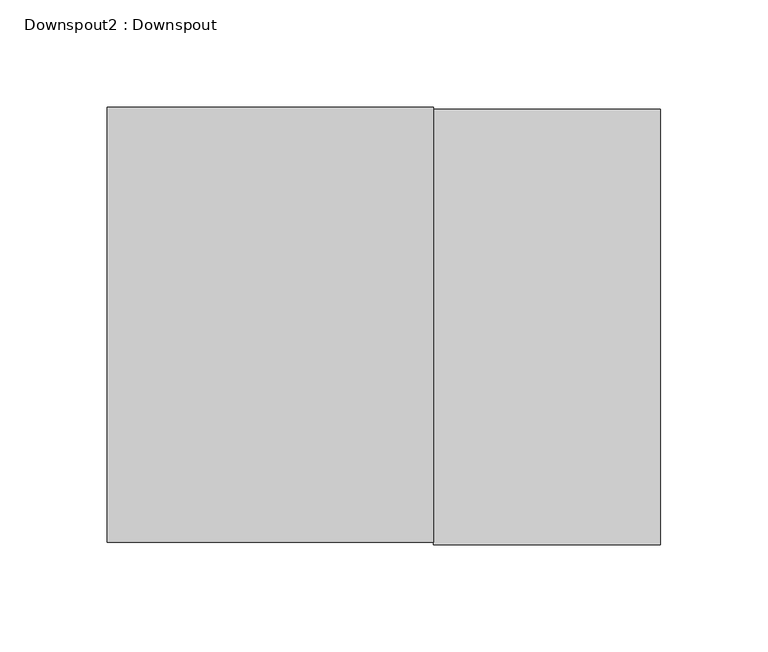
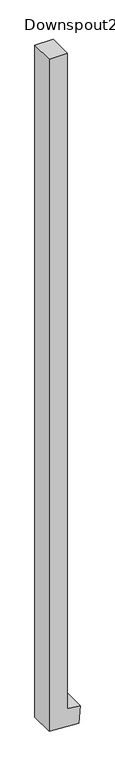
"""IFC4 building model written with IfcOpenShell, lengths in millimetres: proxy geometry, Downspout2 : Downspout."""

from ifc_helpers import new_model, si_unit, frame, origin, place, context, project, spatial, polyline, outline, extrude, source, transform, mapped, element, save


def downspout2_downspout_07f53e65(model_context):
    return source(origin(), model_context, "Body", "SweptSolid", [
        extrude(outline(polyline([(-67.7173287, 258856.7557747), (-83.2793602, 259105.7482776), (68.8238528, 259115.2547284), (75.4550374, 259009.1557747), (5843.3599994, 259009.1557747), (5843.3599994, 258856.7557747), (-67.7173287, 258856.7557747)])), frame((0.0, 263514.7980843, 0.0), z_axis=(0.0, 1.0, 0.0), x_axis=(0.0, 0.0, 1.0)), (0.0, 0.0, 1.0), 203.2),
    ])


if __name__ == "__main__":
    model = new_model("IFC4")
    model_context = context("Model", 3, world=origin())
    ifc_project = project(units=[si_unit("LENGTHUNIT", "METRE", prefix="MILLI")], contexts=[model_context])
    site = spatial("IfcSite", under=ifc_project)
    building = spatial("IfcBuilding", under=site)
    placement = place(None, origin())
    downspout2_downspout_shape = downspout2_downspout_07f53e65(model_context)
    element("IfcBuildingElementProxy", 1, Name="Downspout2 : Downspout", ObjectType="Downspout2 : Downspout", at=placement, inside=building, context=model_context, shape_type="MappedRepresentation", body=[
        mapped(downspout2_downspout_shape, transform((0.0, 0.0, 0.0), x_axis=(1.0, 0.0, 0.0), y_axis=(0.0, 1.0, 0.0), z_axis=(0.0, 0.0, 1.0))),
    ])
    save(model, "model.ifc")
